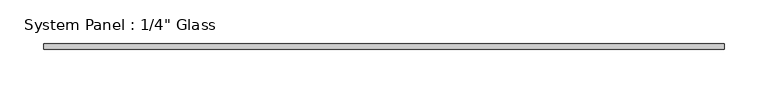
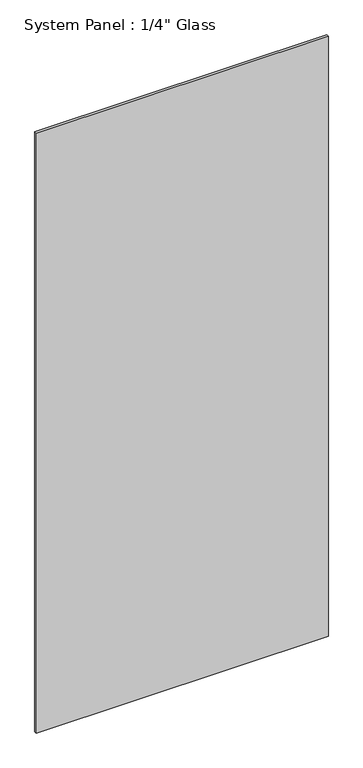
"""IFC4 building model written with IfcOpenShell, lengths in millimetres: plate geometry."""

from ifc_helpers import new_model, si_unit, origin, origin_with_axes, place, context, project, spatial, polyline, outline, extrude, source, transform, mapped, element, save


def plate_d83f365e(model_context):
    return source(origin(), model_context, "Body", "SweptSolid", [
        extrude(outline(polyline([(390.525, -3.175), (-390.525, -3.175), (-390.525, 3.175), (390.525, 3.175), (390.525, -3.175)])), origin_with_axes(), (0.0, 0.0, 1.0), 1695.45),
    ])


if __name__ == "__main__":
    model = new_model("IFC4")
    model_context = context("Model", 3, world=origin())
    ifc_project = project(units=[si_unit("LENGTHUNIT", "METRE", prefix="MILLI")], contexts=[model_context])
    site = spatial("IfcSite", under=ifc_project)
    building = spatial("IfcBuilding", under=site)
    placement = place(None, origin())
    plate_shape = plate_d83f365e(model_context)
    element("IfcPlate", 1, ObjectType="System Panel : 1/4\" Glass", at=placement, inside=building, context=model_context, shape_type="MappedRepresentation", body=[
        mapped(plate_shape, transform((0.0, 0.0, 0.0), x_axis=(1.0, 0.0, 0.0), y_axis=(0.0, 1.0, 0.0), z_axis=(0.0, 0.0, 1.0))),
    ])
    save(model, "model.ifc")
